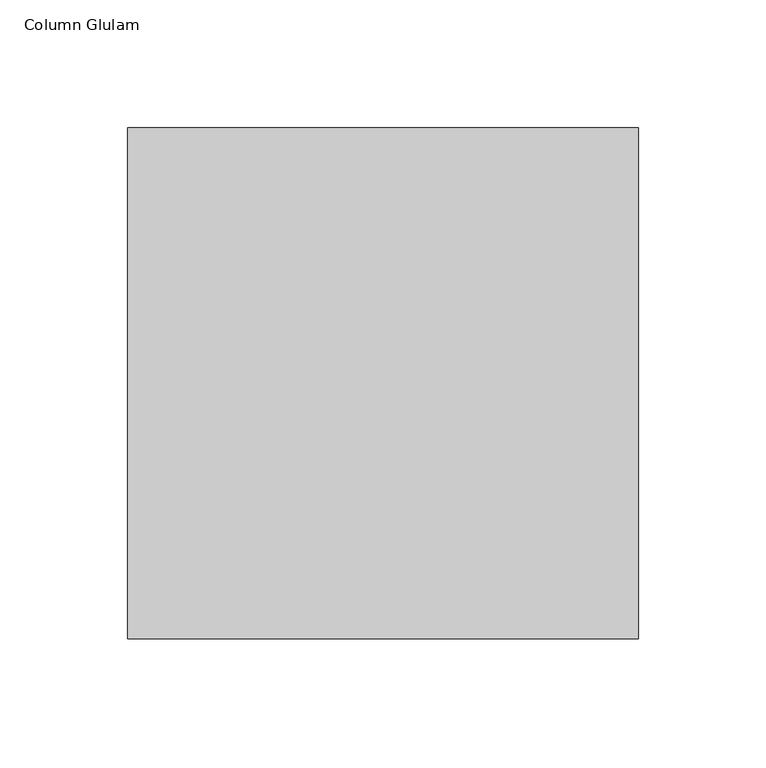
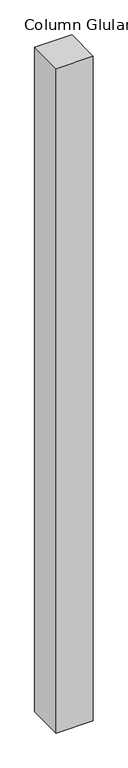
"""IFC4 building model written with IfcOpenShell, lengths in millimetres: column geometry, Column Glulam."""

from ifc_helpers import new_model, si_unit, frame, origin, place, context, project, spatial, polyline, outline, extrude, source, transform, mapped, element, save


def column_glulam_357879ed(model_context):
    return source(origin(), model_context, "Body", "SweptSolid", [
        extrude(outline(polyline([(100.0, 100.0), (100.0, -100.0), (-100.0, -100.0), (-100.0, 100.0), (100.0, 100.0)])), frame((0.0, 0.0, 0.1), z_axis=(0.0, 0.0, 1.0), x_axis=(1.0, 0.0, 0.0)), (0.0, 0.0, 1.0), 3783.9),
    ])


if __name__ == "__main__":
    model = new_model("IFC4")
    model_context = context("Model", 3, world=origin())
    ifc_project = project(units=[si_unit("LENGTHUNIT", "METRE", prefix="MILLI")], contexts=[model_context])
    site = spatial("IfcSite", under=ifc_project)
    building = spatial("IfcBuilding", under=site)
    placement = place(None, origin())
    column_glulam_shape = column_glulam_357879ed(model_context)
    element("IfcColumn", 1, ObjectType="Column Glulam", at=placement, inside=building, context=model_context, shape_type="MappedRepresentation", body=[
        mapped(column_glulam_shape, transform((0.0, 0.0, 0.0), x_axis=(1.0, 0.0, 0.0), y_axis=(0.0, 1.0, 0.0), z_axis=(0.0, 0.0, 1.0))),
    ])
    save(model, "model.ifc")
